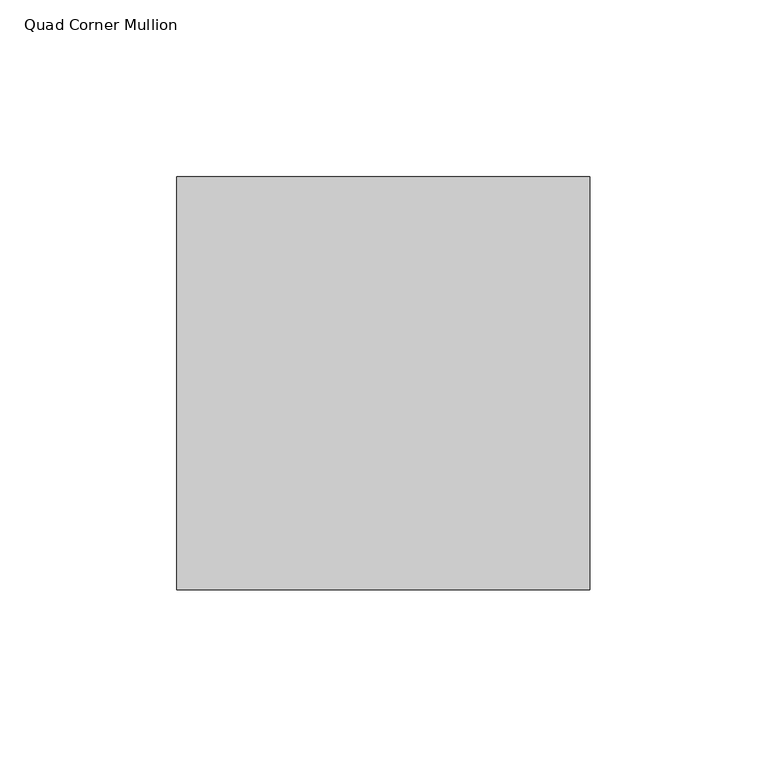
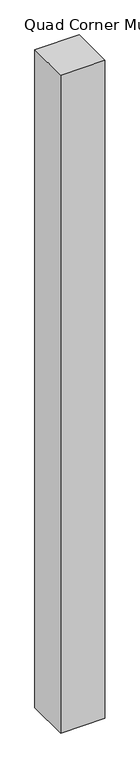
"""IFC4 building model written with IfcOpenShell, lengths in millimetres: member geometry, Quad Corner Mullion."""

from ifc_helpers import new_model, si_unit, frame, origin, place, context, project, spatial, polyline, outline, extrude, source, transform, mapped, element, save


def quad_corner_mullion_b91cdd68(model_context):
    return source(origin(), model_context, "Body", "SweptSolid", [
        extrude(outline(polyline([(73.81875, -42.8625), (-42.8625, -42.8625), (-42.8625, 73.81875), (73.81875, 73.81875), (73.81875, -42.8625)])), frame((0.0, 0.0, -1828.8), z_axis=(0.0, 0.0, 1.0), x_axis=(1.0, 0.0, 0.0)), (0.0, 0.0, 1.0), 1828.8),
    ])


if __name__ == "__main__":
    model = new_model("IFC4")
    model_context = context("Model", 3, world=origin())
    ifc_project = project(units=[si_unit("LENGTHUNIT", "METRE", prefix="MILLI")], contexts=[model_context])
    site = spatial("IfcSite", under=ifc_project)
    building = spatial("IfcBuilding", under=site)
    placement = place(None, origin())
    quad_corner_mullion_shape = quad_corner_mullion_b91cdd68(model_context)
    element("IfcMember", 1, ObjectType="Quad Corner Mullion", at=placement, inside=building, context=model_context, shape_type="MappedRepresentation", body=[
        mapped(quad_corner_mullion_shape, transform((0.0, 0.0, 0.0), x_axis=(1.0, 0.0, 0.0), y_axis=(0.0, 1.0, 0.0), z_axis=(0.0, 0.0, 1.0))),
    ])
    save(model, "model.ifc")
